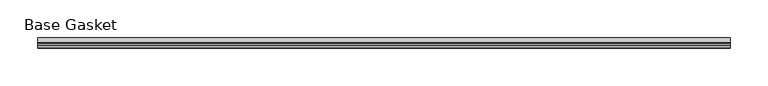
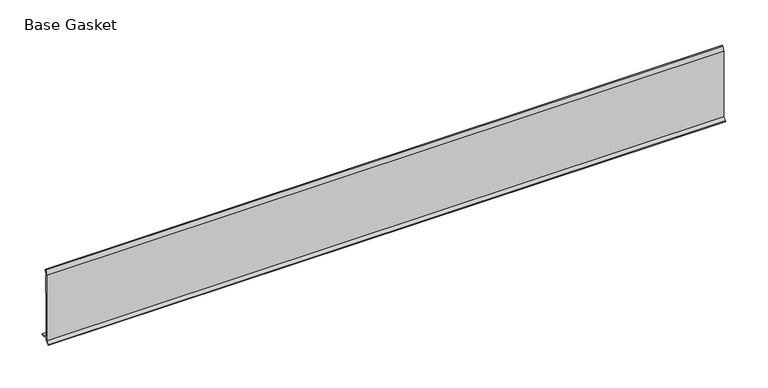
"""IFC4 building model written with IfcOpenShell, lengths in millimetres: furniture geometry, Base Gasket."""

from ifc_helpers import new_model, si_unit, frame, origin, place, context, project, spatial, polyline, outline, extrude, source, transform, mapped, element, save


def base_gasket_13a42a1b(model_context):
    return source(origin(), model_context, "Body", "SweptSolid", [
        extrude(outline(polyline([(-3.7283812, 98.4568417), (-1.1891543, 104.587663), (-0.6755308, 105.2002997), (-0.6755308, 104.4162708), (-2.2043812, 98.4568417), (-2.2043812, 96.8693477), (-1.4106313, 96.8693477), (-1.4106313, 71.4693447), (-2.2043812, 71.4693447), (-2.2043812, 7.9398773), (6.2405171, 7.9398773), (6.2405171, 6.3818476), (-2.1334222, 6.3818476), (-2.2043812, 4.3498477), (-6.8281054, 0.3520979), (-7.8482342, 0.0), (-7.4222115, 0.6560174), (-3.7283812, 4.3498477), (-3.7283812, 98.4568417)])), frame((-1527.8982117, 0.0, 0.0), z_axis=(1.0, 0.0, 0.0), x_axis=(0.0, 1.0, 0.0)), (0.0, 0.0, 1.0), 920.75),
    ])


if __name__ == "__main__":
    model = new_model("IFC4")
    model_context = context("Model", 3, world=origin())
    ifc_project = project(units=[si_unit("LENGTHUNIT", "METRE", prefix="MILLI")], contexts=[model_context])
    site = spatial("IfcSite", under=ifc_project)
    building = spatial("IfcBuilding", under=site)
    placement = place(None, origin())
    base_gasket_shape = base_gasket_13a42a1b(model_context)
    element("IfcFurniture", 1, ObjectType="Base Gasket", at=placement, inside=building, context=model_context, shape_type="MappedRepresentation", body=[
        mapped(base_gasket_shape, transform((0.0, 0.0, 0.0), x_axis=(1.0, 0.0, 0.0), y_axis=(0.0, 1.0, 0.0), z_axis=(0.0, 0.0, 1.0))),
    ])
    save(model, "model.ifc")
